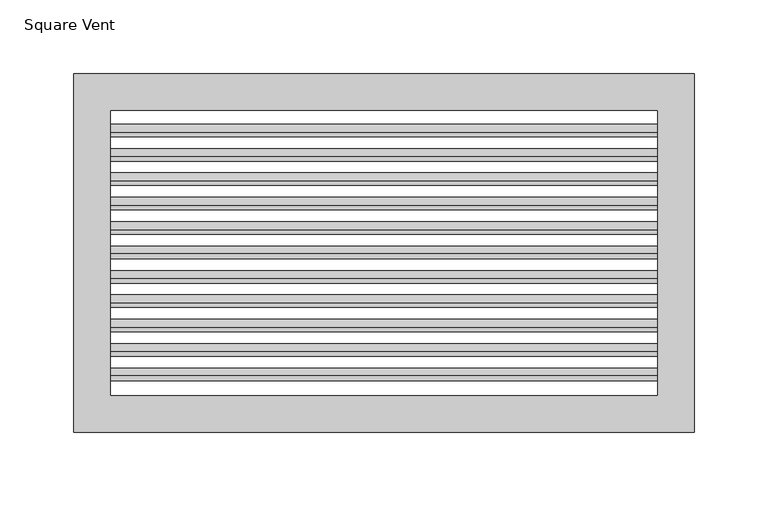
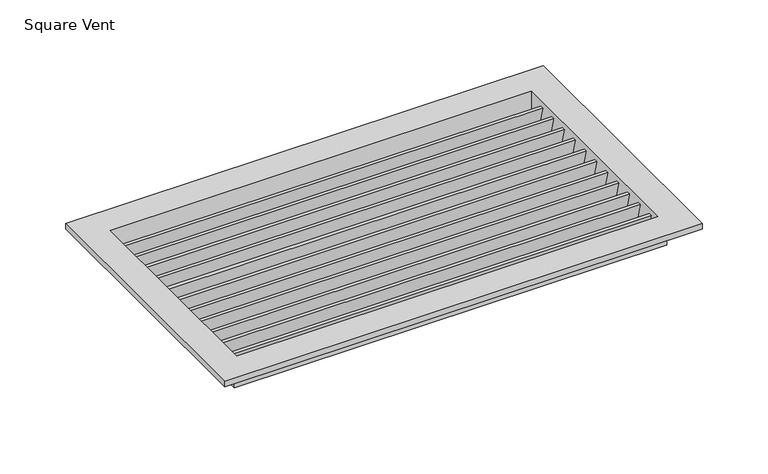
"""IFC4 building model written with IfcOpenShell, lengths in millimetres: air terminal geometry, Square Vent."""

import ifcopenshell
import ifcopenshell.guid

model = None  # the IFC model being written
_history = None  # IfcOwnerHistory: only IFC2X3 demands one
_inside = {}  # id of a spatial element -> (the spatial element, [elements in it])
_under = {}  # id of a project, library or spatial element -> (it, [spatial elements below it])
_declared = {}  # id of a project -> (the project, [libraries it declares])
_typed = {}  # id of a type object -> (the type object, [elements of that type])
_made_of = {}  # id of a material, layer set ... -> (it, [elements and type objects made of it])


def new_model(schema):
    """Start an empty IFC model of exactly this schema.

    Asked for "IFC4X3", IfcOpenShell would pick the latest addendum, in which some entities
    have other attributes; the version numbers below select the first issue.
    IFC2X3 requires an IfcOwnerHistory on every rooted entity: one is made here for all.
    """
    global model, _history
    if schema == "IFC4X3":
        model = ifcopenshell.file(schema_version=(4, 3, 0, 0))
    else:
        model = ifcopenshell.file(schema=schema)
    _inside.clear()
    _under.clear()
    _declared.clear()
    _typed.clear()
    _made_of.clear()
    _history = None
    if model.schema == "IFC2X3":
        org = make("IfcOrganization", Name="unknown")
        user = make(
            "IfcPersonAndOrganization",
            ThePerson=make("IfcPerson", FamilyName="unknown"),
            TheOrganization=org,
        )
        app = make(
            "IfcApplication",
            ApplicationDeveloper=org,
            Version="unknown",
            ApplicationFullName="unknown",
            ApplicationIdentifier="unknown",
        )
        _history = make(
            "IfcOwnerHistory",
            OwningUser=user,
            OwningApplication=app,
            ChangeAction="ADDED",
            CreationDate=0,
        )
    return model


def make(cls, **values):
    """One entity of the class cls with the attributes given. An attribute that is None is left unset."""
    return model.create_entity(
        cls, **{name: value for name, value in values.items() if value is not None}
    )


def rooted(cls, **values):
    """An entity with a GlobalId (a new one), such as an element, a storey or a relation."""
    return make(cls, GlobalId=ifcopenshell.guid.new(), OwnerHistory=_history, **values)


def si_unit(unit_type, name, prefix=None):
    """IfcSIUnit, for example si_unit("LENGTHUNIT", "METRE", prefix="MILLI")."""
    return make("IfcSIUnit", UnitType=unit_type, Prefix=prefix, Name=name)


def assignment(units):
    """IfcUnitAssignment: the units of a project."""
    return None if units is None else make("IfcUnitAssignment", Units=units)


def point(xyz):
    """IfcCartesianPoint."""
    return None if xyz is None else make("IfcCartesianPoint", Coordinates=xyz)


def direction(xyz):
    """IfcDirection."""
    return None if xyz is None else make("IfcDirection", DirectionRatios=xyz)


def frame(location, z_axis=None, x_axis=None):
    """IfcAxis2Placement3D, a coordinate frame: its origin and axes. An axis left out is left unset."""
    return make(
        "IfcAxis2Placement3D",
        Location=point(location),
        Axis=direction(z_axis),
        RefDirection=direction(x_axis),
    )


def origin():
    """The frame at (0, 0, 0) with its axes left unset."""
    return frame((0.0, 0.0, 0.0))


def place(relative_to, where):
    """IfcLocalPlacement: puts the frame where relative to a parent placement (None: the world)."""
    return make(
        "IfcLocalPlacement", PlacementRelTo=relative_to, RelativePlacement=where
    )


def context(
    kind, dimensions, precision=None, world=None, true_north=None, identifier=None
):
    """IfcGeometricRepresentationContext, for example the 3D "Model" context."""
    return make(
        "IfcGeometricRepresentationContext",
        ContextIdentifier=identifier,
        ContextType=kind,
        CoordinateSpaceDimension=dimensions,
        Precision=precision,
        WorldCoordinateSystem=world,
        TrueNorth=true_north,
    )


def project(units=None, contexts=None):
    """IfcProject with its units and contexts."""
    return rooted(
        "IfcProject",
        Name="project",
        RepresentationContexts=contexts,
        UnitsInContext=assignment(units),
    )


def spatial(cls, under=None, at=None, **own):
    """A site, building, storey or space (cls), placed at a placement, below another one or the project."""
    s = rooted(cls, ObjectPlacement=at, **own)
    if under is not None:
        _under.setdefault(under.id(), (under, []))[1].append(s)
    return s


def polyline(points):
    """IfcPolyline through the points."""
    return make("IfcPolyline", Points=[point(p) for p in points])


def outline(outer, holes=None, kind="AREA"):
    """IfcArbitraryClosedProfileDef: a profile drawn as a closed curve; with holes, ...WithVoids."""
    if holes is None:
        return make("IfcArbitraryClosedProfileDef", ProfileType=kind, OuterCurve=outer)
    return make(
        "IfcArbitraryProfileDefWithVoids",
        ProfileType=kind,
        OuterCurve=outer,
        InnerCurves=holes,
    )


def extrude(swept, where, along, depth):
    """IfcExtrudedAreaSolid: the profile swept, set in the frame where, extruded along a direction by depth."""
    return make(
        "IfcExtrudedAreaSolid",
        SweptArea=swept,
        Position=where,
        ExtrudedDirection=direction(along),
        Depth=depth,
    )


def faces_of(points, faces, orient=None, outer=None):
    """IfcFace entities. A face is a list of loops; a loop is a list of indices into points, from 0.

    orient and outer hold one flag for each loop. By default every Orientation is true, the
    first loop of a face is its IfcFaceOuterBound and the others are IfcFaceBound.
    """
    made = []
    for i, loops in enumerate(faces):
        bounds = []
        for j, loop in enumerate(loops):
            is_outer = j == 0 if outer is None else outer[i][j]
            bounds.append(
                make(
                    "IfcFaceOuterBound" if is_outer else "IfcFaceBound",
                    Bound=make("IfcPolyLoop", Polygon=[points[k] for k in loop]),
                    Orientation=True if orient is None else orient[i][j],
                )
            )
        made.append(make("IfcFace", Bounds=bounds))
    return made


def faceted_brep(points, faces, orient=None, outer=None, voids=None):
    """IfcFacetedBrep: a solid bounded by flat faces; with voids (closed shells), ...WithVoids."""
    shared = [point(p) for p in points]
    hull = make("IfcClosedShell", CfsFaces=faces_of(shared, faces, orient, outer))
    if voids is None:
        return make("IfcFacetedBrep", Outer=hull)
    return make(
        "IfcFacetedBrepWithVoids",
        Outer=hull,
        Voids=[
            make(cls, CfsFaces=faces_of(shared, fs, o, b)) for cls, fs, o, b in voids
        ],
    )


def shape(context_of_items, identifier, shape_type, items):
    """IfcShapeRepresentation: the items that make up one representation, for example the "Body"."""
    return make(
        "IfcShapeRepresentation",
        ContextOfItems=context_of_items,
        RepresentationIdentifier=identifier,
        RepresentationType=shape_type,
        Items=items,
    )


def source(mapping_origin, context_of_items, identifier, shape_type, items):
    """IfcRepresentationMap: a shape defined once, which mapped items show again and again."""
    return make(
        "IfcRepresentationMap",
        MappingOrigin=mapping_origin,
        MappedRepresentation=shape(context_of_items, identifier, shape_type, items),
    )


def transform(
    local_origin,
    x_axis=None,
    y_axis=None,
    z_axis=None,
    scale=None,
    scale2=None,
    scale3=None,
    uniform=True,
):
    """IfcCartesianTransformationOperator3D, or its non-uniform kind. x_axis, y_axis, z_axis: its Axis1, 2, 3."""
    if uniform:
        return make(
            "IfcCartesianTransformationOperator3D",
            Axis1=direction(x_axis),
            Axis2=direction(y_axis),
            LocalOrigin=point(local_origin),
            Scale=scale,
            Axis3=direction(z_axis),
        )
    return make(
        "IfcCartesianTransformationOperator3DnonUniform",
        Axis1=direction(x_axis),
        Axis2=direction(y_axis),
        LocalOrigin=point(local_origin),
        Scale=scale,
        Axis3=direction(z_axis),
        Scale2=scale2,
        Scale3=scale3,
    )


def mapped(mapping_source, mapping_target):
    """IfcMappedItem: shows the shape of a source again, moved by a transform."""
    return make(
        "IfcMappedItem", MappingSource=mapping_source, MappingTarget=mapping_target
    )


def made_of(thing, what):
    """Note that an element or type object is made of a material, layer set ...; save() writes the relation."""
    if what is not None:
        _made_of.setdefault(what.id(), (what, []))[1].append(thing)
    return thing


def element(
    cls,
    number,
    at=None,
    inside=None,
    cuts=None,
    type_object=None,
    material=None,
    context=None,
    identifier="Body",
    shape_type=None,
    held_by="IfcProductDefinitionShape",
    body=None,
    shapes=None,
    **own,
):
    """One element of the class cls, such as IfcWall. Its Tag is "e" and its number.

    at: its placement. inside: the storey or other place that contains it. cuts: it is an
    opening in that element (IfcRelVoidsElement). A single representation is given by context,
    identifier, shape_type and body (its items); several are given by shapes. held_by: the class
    of the entity that holds the representations. save() writes the other relations.
    """
    e = rooted(cls, Tag="e%d" % number, ObjectPlacement=at, **own)
    if body is not None:
        shapes = [shape(context, identifier, shape_type, body)]
    if shapes is not None:
        e.Representation = make(held_by, Representations=shapes)
    if inside is not None:
        _inside.setdefault(inside.id(), (inside, []))[1].append(e)
    if cuts is not None:
        rooted(
            "IfcRelVoidsElement", RelatingBuildingElement=cuts, RelatedOpeningElement=e
        )
    if type_object is not None:
        _typed.setdefault(type_object.id(), (type_object, []))[1].append(e)
    return made_of(e, material)


def aggregate(whole, parts):
    """IfcRelAggregates: a whole, such as a stair, and the parts it consists of."""
    return rooted("IfcRelAggregates", RelatingObject=whole, RelatedObjects=parts)


def save(model, path):
    """Write the relations noted so far, then the file.

    IfcRelAggregates (storeys below a building ...), IfcRelContainedInSpatialStructure (elements
    in a storey), IfcRelDefinesByType, IfcRelAssociatesMaterial and IfcRelDeclares: one each for
    every whole, place, type object, material and project.
    """
    for whole, parts in _under.values():
        aggregate(whole, parts)
    for where, things in _inside.values():
        rooted(
            "IfcRelContainedInSpatialStructure",
            RelatedElements=things,
            RelatingStructure=where,
        )
    for kind, things in _typed.values():
        rooted("IfcRelDefinesByType", RelatedObjects=things, RelatingType=kind)
    for what, things in _made_of.values():
        rooted("IfcRelAssociatesMaterial", RelatedObjects=things, RelatingMaterial=what)
    for by, libraries in _declared.values():
        rooted("IfcRelDeclares", RelatingContext=by, RelatedDefinitions=libraries)
    model.write(path)


def square_vent_96a2c536(model_context):
    return source(origin(), model_context, "Body", "SolidModel", [
        extrude(outline(polyline([(-83.4632939, 0.0), (-78.10431, -20.0), (-81.22931, -20.0), (-86.5882939, 0.0), (-83.4632939, 0.0)])), frame((-185.5, 0.0, 0.0), z_axis=(1.0, 0.0, 0.0), x_axis=(0.0, 1.0, 0.0)), (0.0, 0.0, 1.0), 371.0),
        extrude(outline(polyline([(-70.0370008, 0.0), (-66.9120008, 0.0), (-61.553017, -20.0), (-64.678017, -20.0), (-70.0370008, 0.0)])), frame((-185.5, 0.0, 0.0), z_axis=(1.0, 0.0, 0.0), x_axis=(0.0, 1.0, 0.0)), (0.0, 0.0, 1.0), 371.0),
        extrude(outline(polyline([(-53.4857077, 0.0), (-50.3607077, 0.0), (-45.0017239, -20.0), (-48.1267239, -20.0), (-53.4857077, 0.0)])), frame((-185.5, 0.0, 0.0), z_axis=(1.0, 0.0, 0.0), x_axis=(0.0, 1.0, 0.0)), (0.0, 0.0, 1.0), 371.0),
        extrude(outline(polyline([(-36.9344146, 0.0), (-33.8094146, 0.0), (-28.4504308, -20.0), (-31.5754308, -20.0), (-36.9344146, 0.0)])), frame((-185.5, 0.0, 0.0), z_axis=(1.0, 0.0, 0.0), x_axis=(0.0, 1.0, 0.0)), (0.0, 0.0, 1.0), 371.0),
        extrude(outline(polyline([(-20.3831216, 0.0), (-17.2581216, 0.0), (-11.8991377, -20.0), (-15.0241377, -20.0), (-20.3831216, 0.0)])), frame((-185.5, 0.0, 0.0), z_axis=(1.0, 0.0, 0.0), x_axis=(0.0, 1.0, 0.0)), (0.0, 0.0, 1.0), 371.0),
        extrude(outline(polyline([(-3.8318285, 0.0), (-0.7068285, 0.0), (4.6521554, -20.0), (1.5271554, -20.0), (-3.8318285, 0.0)])), frame((-185.5, 0.0, 0.0), z_axis=(1.0, 0.0, 0.0), x_axis=(0.0, 1.0, 0.0)), (0.0, 0.0, 1.0), 371.0),
        extrude(outline(polyline([(12.7194646, 0.0), (15.8444646, 0.0), (21.2034484, -20.0), (18.0784484, -20.0), (12.7194646, 0.0)])), frame((-185.5, 0.0, 0.0), z_axis=(1.0, 0.0, 0.0), x_axis=(0.0, 1.0, 0.0)), (0.0, 0.0, 1.0), 371.0),
        extrude(outline(polyline([(29.2707577, 0.0), (32.3957577, 0.0), (37.7547415, -20.0), (34.6297415, -20.0), (29.2707577, 0.0)])), frame((-185.5, 0.0, 0.0), z_axis=(1.0, 0.0, 0.0), x_axis=(0.0, 1.0, 0.0)), (0.0, 0.0, 1.0), 371.0),
        extrude(outline(polyline([(45.8220508, 0.0), (48.9470508, 0.0), (54.3060346, -20.0), (51.1810346, -20.0), (45.8220508, 0.0)])), frame((-185.5, 0.0, 0.0), z_axis=(1.0, 0.0, 0.0), x_axis=(0.0, 1.0, 0.0)), (0.0, 0.0, 1.0), 371.0),
        extrude(outline(polyline([(62.3733438, 0.0), (65.4983438, 0.0), (70.8573277, -20.0), (67.7323277, -20.0), (62.3733438, 0.0)])), frame((-185.5, 0.0, 0.0), z_axis=(1.0, 0.0, 0.0), x_axis=(0.0, 1.0, 0.0)), (0.0, 0.0, 1.0), 371.0),
        extrude(outline(polyline([(78.9246369, 0.0), (82.0496369, 0.0), (87.4086208, -20.0), (84.2836208, -20.0), (78.9246369, 0.0)])), frame((-185.5, 0.0, 0.0), z_axis=(1.0, 0.0, 0.0), x_axis=(0.0, 1.0, 0.0)), (0.0, 0.0, 1.0), 371.0),
        faceted_brep([(190.5, -101.6, -20.0), (190.5, -101.6, 0.0), (-190.5, -101.6, 0.0), (-190.5, -101.6, -20.0), (185.5, -96.6, 5.0), (185.5, -96.6, -20.0), (-185.5, -96.6, -20.0), (-185.5, -96.6, 5.0), (210.5, -121.6, 0.0), (210.5, -121.6, 5.0), (-210.5, -121.6, 5.0), (-210.5, -121.6, 0.0), (-190.5, 101.6, 0.0), (-190.5, 101.6, -20.0), (-185.5, 96.6, -20.0), (-185.5, 96.6, 5.0), (-210.5, 121.6, 5.0), (-210.5, 121.6, 0.0), (190.5, 101.6, 0.0), (190.5, 101.6, -20.0), (185.5, 96.6, -20.0), (185.5, 96.6, 5.0), (210.5, 121.6, 5.0), (210.5, 121.6, 0.0)], [[[0, 1, 2, 3]], [[4, 5, 6, 7]], [[8, 9, 10, 11]], [[3, 2, 12, 13]], [[7, 6, 14, 15]], [[11, 10, 16, 17]], [[13, 12, 18, 19]], [[15, 14, 20, 21]], [[17, 16, 22, 23]], [[11, 17, 23, 8], [1, 18, 12, 2]], [[19, 18, 1, 0]], [[3, 13, 19, 0], [5, 20, 14, 6]], [[21, 20, 5, 4]], [[9, 22, 16, 10], [7, 15, 21, 4]], [[23, 22, 9, 8]]]),
    ])


if __name__ == "__main__":
    model = new_model("IFC4")
    model_context = context("Model", 3, world=origin())
    ifc_project = project(units=[si_unit("LENGTHUNIT", "METRE", prefix="MILLI")], contexts=[model_context])
    site = spatial("IfcSite", under=ifc_project)
    building = spatial("IfcBuilding", under=site)
    placement = place(None, origin())
    square_vent_shape = square_vent_96a2c536(model_context)
    element("IfcAirTerminal", 1, ObjectType="Square Vent", at=placement, inside=building, context=model_context, shape_type="MappedRepresentation", body=[
        mapped(square_vent_shape, transform((0.0, 0.0, 0.0), x_axis=(1.0, 0.0, 0.0), y_axis=(0.0, 1.0, 0.0), z_axis=(0.0, 0.0, 1.0))),
    ])
    save(model, "model.ifc")
